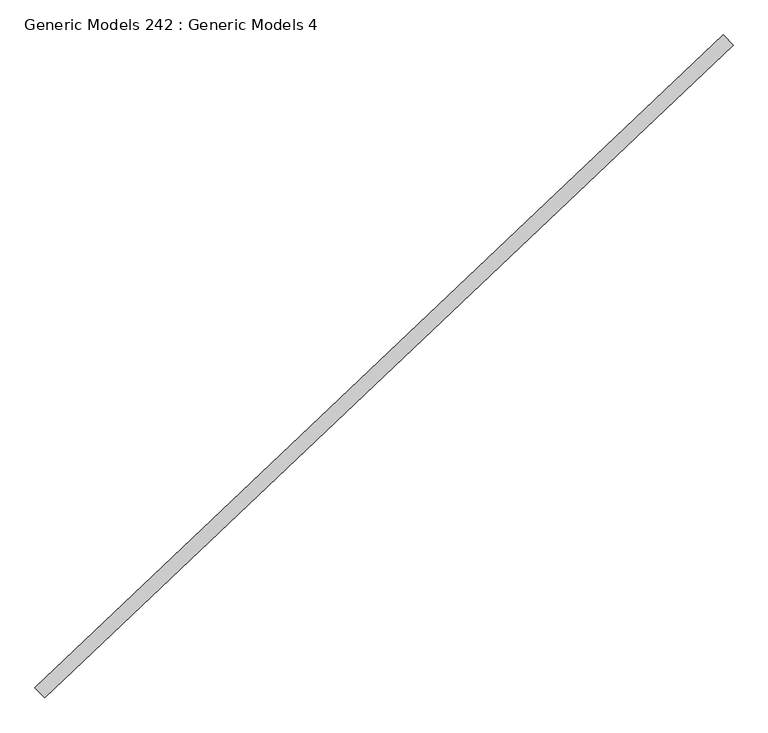
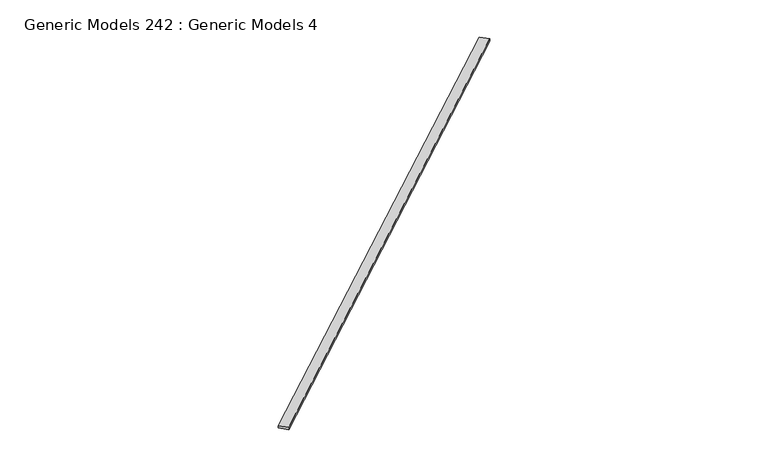
"""IFC4 building model written with IfcOpenShell, lengths in millimetres: proxy geometry, Generic Models 242 : Generic Models 4."""

from ifc_helpers import new_model, si_unit, frame, origin, place, context, project, spatial, polyline, outline, extrude, source, transform, mapped, element, save


def generic_models_242_generic_models_4_71ebabdb(model_context):
    return source(origin(), model_context, "Body", "SweptSolid", [
        extrude(outline(polyline([(103193.4660831, 41004.6723895), (103097.3029488, 41106.0071891), (109799.2181062, 47465.8872026), (109895.3812404, 47364.5524029), (103193.4660831, 41004.6723895)])), frame((0.0, 0.0, 17886.0394961), z_axis=(0.0, 0.0, 1.0), x_axis=(1.0, 0.0, 0.0)), (0.0, 0.0, 1.0), 38.1),
    ])


if __name__ == "__main__":
    model = new_model("IFC4")
    model_context = context("Model", 3, world=origin())
    ifc_project = project(units=[si_unit("LENGTHUNIT", "METRE", prefix="MILLI")], contexts=[model_context])
    site = spatial("IfcSite", under=ifc_project)
    building = spatial("IfcBuilding", under=site)
    placement = place(None, origin())
    generic_models_242_generic_models_4_shape = generic_models_242_generic_models_4_71ebabdb(model_context)
    element("IfcBuildingElementProxy", 1, Name="Generic Models 242 : Generic Models 4", ObjectType="Generic Models 242 : Generic Models 4", at=placement, inside=building, context=model_context, shape_type="MappedRepresentation", body=[
        mapped(generic_models_242_generic_models_4_shape, transform((0.0, 0.0, 0.0), x_axis=(1.0, 0.0, 0.0), y_axis=(0.0, 1.0, 0.0), z_axis=(0.0, 0.0, 1.0))),
    ])
    save(model, "model.ifc")
